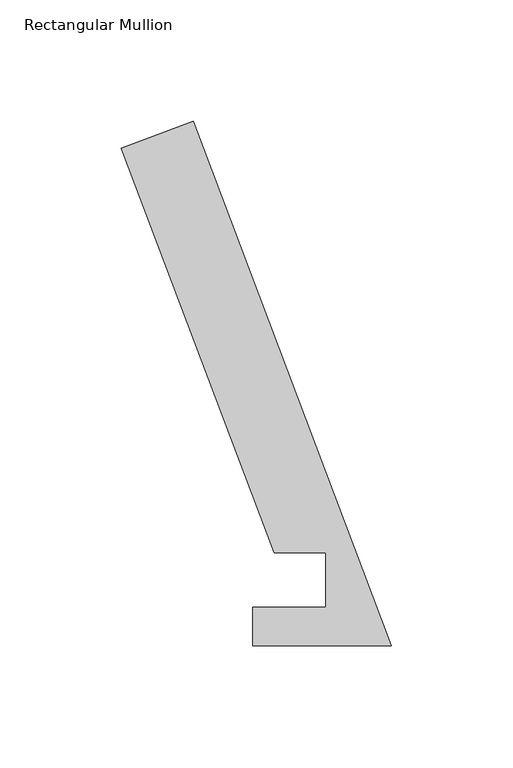
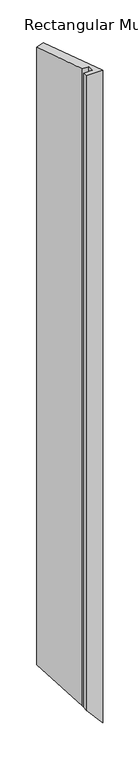
"""IFC4 building model written with IfcOpenShell, lengths in millimetres: member geometry, Rectangular Mullion."""

from ifc_helpers import new_model, si_unit, origin, place, context, project, spatial, faceted_brep, source, transform, mapped, element, save


def rectangular_mullion_589ec7da(model_context):
    return source(origin(), model_context, "Body", "Brep", [
        faceted_brep([(-81.7304777, 216.3314444, 0.0), (0.0, 0.0380112, 0.0), (0.0, 0.0380112, -2405.5604059), (-81.7304777, 216.3314444, -2311.1861793), (-111.4308257, 205.1086181, 0.0), (-111.4308257, 205.1086181, -2276.8911715), (-48.4318773, 38.386739, 0.0), (-48.4318773, 38.386739, -2349.636091), (-27.1188377, 38.4070265, 0.0), (-27.1188377, 38.4070265, -2374.2462694), (-27.171167, 15.9130112, 0.0), (-27.171167, 15.9130112, -2374.1858447), (-57.2922169, 15.9130112, 0.0), (-57.2922169, 15.9130112, -2339.4050522), (-57.2922169, 0.0380112, 0.0), (-57.2922169, 0.0380112, -2339.4050522)], [[[0, 1, 2, 3]], [[4, 0, 3, 5]], [[6, 4, 5, 7]], [[8, 6, 7, 9]], [[10, 8, 9, 11]], [[12, 10, 11, 13]], [[14, 12, 13, 15]], [[1, 14, 15, 2]], [[1, 0, 4, 6, 8, 10, 12, 14]], [[2, 15, 13, 11, 9, 7, 5, 3]]]),
    ])


if __name__ == "__main__":
    model = new_model("IFC4")
    model_context = context("Model", 3, world=origin())
    ifc_project = project(units=[si_unit("LENGTHUNIT", "METRE", prefix="MILLI")], contexts=[model_context])
    site = spatial("IfcSite", under=ifc_project)
    building = spatial("IfcBuilding", under=site)
    placement = place(None, origin())
    rectangular_mullion_shape = rectangular_mullion_589ec7da(model_context)
    element("IfcMember", 1, ObjectType="Rectangular Mullion", at=placement, inside=building, context=model_context, shape_type="MappedRepresentation", body=[
        mapped(rectangular_mullion_shape, transform((0.0, 0.0, 0.0), x_axis=(1.0, 0.0, 0.0), y_axis=(0.0, 1.0, 0.0), z_axis=(0.0, 0.0, 1.0))),
    ])
    save(model, "model.ifc")
